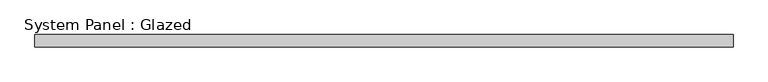
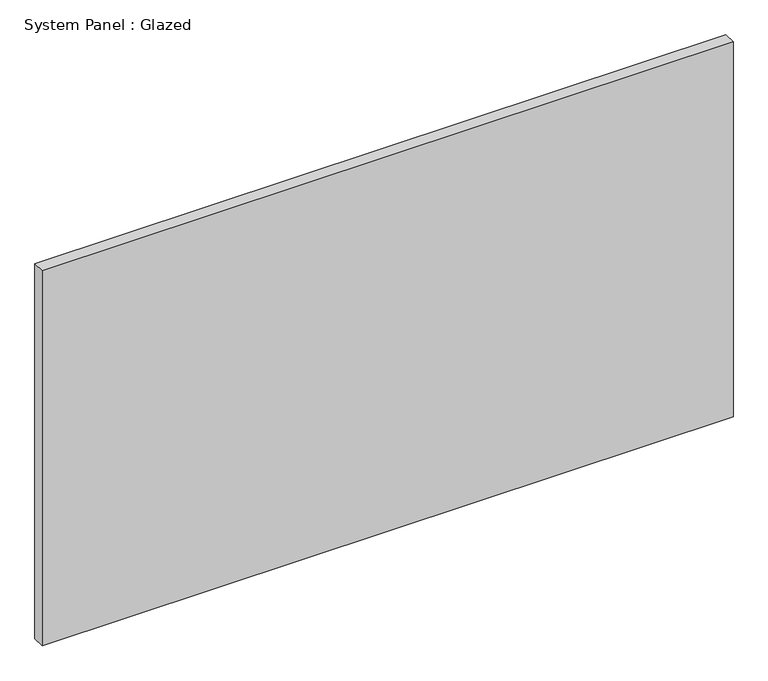
"""IFC4 building model written with IfcOpenShell, lengths in millimetres: plate geometry, System Panel : Glazed."""

from ifc_helpers import new_model, si_unit, origin, origin_with_axes, place, context, project, spatial, polyline, outline, extrude, source, transform, mapped, element, save


def system_panel_glazed_aa447358(model_context):
    return source(origin(), model_context, "Body", "SweptSolid", [
        extrude(outline(polyline([(714.375, -44.45), (-714.375, -44.45), (-714.375, -19.05), (714.375, -19.05), (714.375, -44.45)])), origin_with_axes(), (0.0, 0.0, 1.0), 819.15),
    ])


if __name__ == "__main__":
    model = new_model("IFC4")
    model_context = context("Model", 3, world=origin())
    ifc_project = project(units=[si_unit("LENGTHUNIT", "METRE", prefix="MILLI")], contexts=[model_context])
    site = spatial("IfcSite", under=ifc_project)
    building = spatial("IfcBuilding", under=site)
    placement = place(None, origin())
    system_panel_glazed_shape = system_panel_glazed_aa447358(model_context)
    element("IfcPlate", 1, ObjectType="System Panel : Glazed", at=placement, inside=building, context=model_context, shape_type="MappedRepresentation", body=[
        mapped(system_panel_glazed_shape, transform((0.0, 0.0, 0.0), x_axis=(1.0, 0.0, 0.0), y_axis=(0.0, 1.0, 0.0), z_axis=(0.0, 0.0, 1.0))),
    ])
    save(model, "model.ifc")
